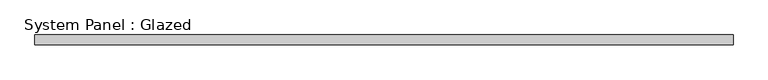
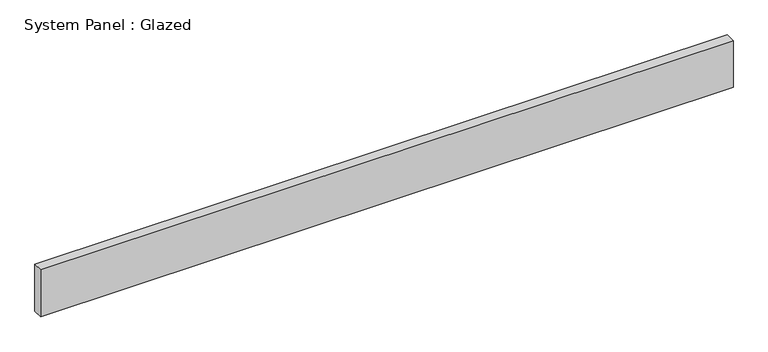
"""IFC4 building model written with IfcOpenShell, lengths in millimetres: plate geometry, System Panel : Glazed."""

from ifc_helpers import new_model, si_unit, origin, origin_with_axes, place, context, project, spatial, polyline, outline, extrude, source, transform, mapped, element, save


def system_panel_glazed_b001d1f6(model_context):
    return source(origin(), model_context, "Body", "SweptSolid", [
        extrude(outline(polyline([(889.0, -12.7), (-889.0, -12.7), (-889.0, 12.7), (889.0, 12.7), (889.0, -12.7)])), origin_with_axes(), (0.0, 0.0, 1.0), 127.0),
    ])


if __name__ == "__main__":
    model = new_model("IFC4")
    model_context = context("Model", 3, world=origin())
    ifc_project = project(units=[si_unit("LENGTHUNIT", "METRE", prefix="MILLI")], contexts=[model_context])
    site = spatial("IfcSite", under=ifc_project)
    building = spatial("IfcBuilding", under=site)
    placement = place(None, origin())
    system_panel_glazed_shape = system_panel_glazed_b001d1f6(model_context)
    element("IfcPlate", 1, ObjectType="System Panel : Glazed", at=placement, inside=building, context=model_context, shape_type="MappedRepresentation", body=[
        mapped(system_panel_glazed_shape, transform((0.0, 0.0, 0.0), x_axis=(1.0, 0.0, 0.0), y_axis=(0.0, 1.0, 0.0), z_axis=(0.0, 0.0, 1.0))),
    ])
    save(model, "model.ifc")
